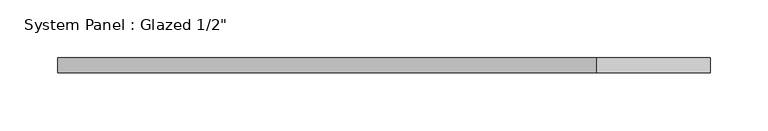
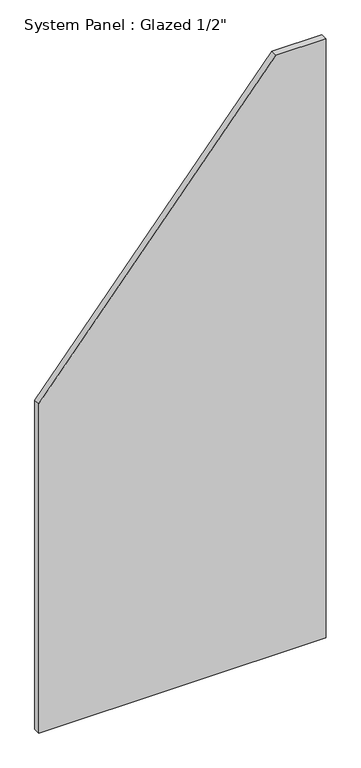
"""IFC4 building model written with IfcOpenShell, lengths in millimetres: plate geometry."""

from ifc_helpers import new_model, si_unit, frame, origin, place, context, project, spatial, polyline, outline, extrude, source, transform, mapped, element, save


def plate_aa1edbd4(model_context):
    return source(origin(), model_context, "Body", "SweptSolid", [
        extrude(outline(polyline([(0.0, -281.7956866), (0.0, 281.7956866), (1241.5880352, 281.7956866), (1241.5880352, 183.6123219), (682.2372222, -281.7956866), (0.0, -281.7956866)])), frame((0.0, -6.35, 0.0), z_axis=(0.0, 1.0, 0.0), x_axis=(0.0, 0.0, 1.0)), (0.0, 0.0, 1.0), 12.7),
    ])


if __name__ == "__main__":
    model = new_model("IFC4")
    model_context = context("Model", 3, world=origin())
    ifc_project = project(units=[si_unit("LENGTHUNIT", "METRE", prefix="MILLI")], contexts=[model_context])
    site = spatial("IfcSite", under=ifc_project)
    building = spatial("IfcBuilding", under=site)
    placement = place(None, origin())
    plate_shape = plate_aa1edbd4(model_context)
    element("IfcPlate", 1, ObjectType="System Panel : Glazed 1/2\"", at=placement, inside=building, context=model_context, shape_type="MappedRepresentation", body=[
        mapped(plate_shape, transform((0.0, 0.0, 0.0), x_axis=(1.0, 0.0, 0.0), y_axis=(0.0, 1.0, 0.0), z_axis=(0.0, 0.0, 1.0))),
    ])
    save(model, "model.ifc")
